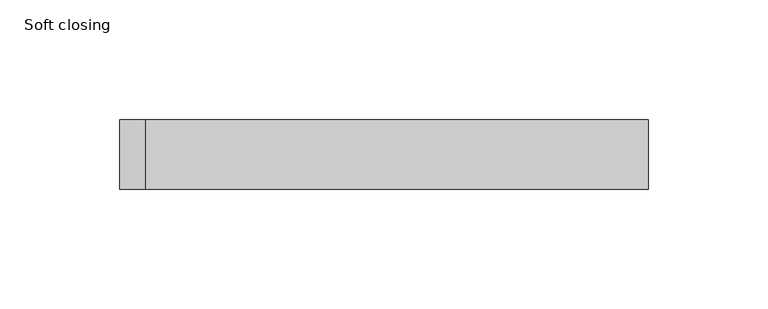
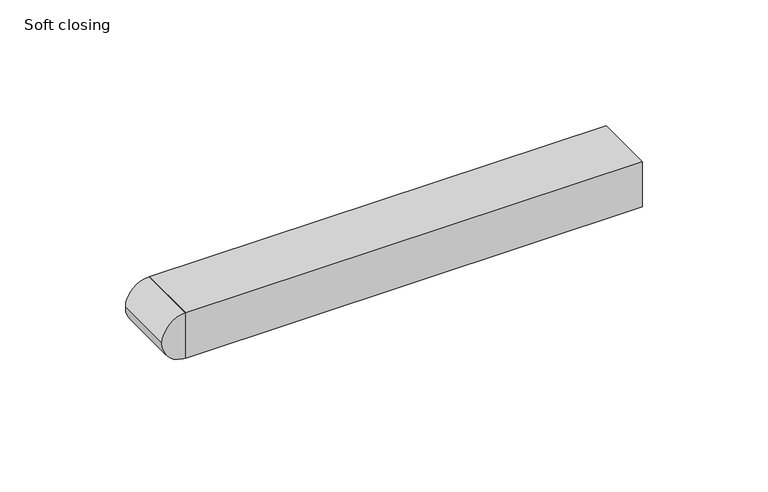
"""IFC4 building model written with IfcOpenShell, lengths in millimetres: proxy geometry, Soft closing."""

from ifc_helpers import new_model, si_unit, point, frame, frame_2d, origin, origin_with_axes, place, context, project, spatial, polyline, circle_curve, trimmed, segment, composite_curve, outline, extrude, source, transform, mapped, element, save


def soft_closing_5b04b6d1(model_context):
    return source(origin(), model_context, "Body", "SweptSolid", [
        extrude(outline(polyline([(42.15, 0.0), (-167.85, 0.0), (-167.85, 29.0), (42.15, 29.0), (42.15, 0.0)])), origin_with_axes(), (0.0, 0.0, 1.0), 22.0),
        extrude(outline(composite_curve([segment(trimmed(circle_curve(frame_2d((11.0, -167.85)), 11.0), [point((11.0, -178.85))], [point((11.0, -156.85))], False, "CARTESIAN"), True, "CONTINUOUS"), segment(trimmed(circle_curve(frame_2d((11.0, -167.85)), 11.0), [point((11.0, -156.85))], [point((11.0, -178.85))], False, "CARTESIAN"), True, "CONTINUOUS")], self_intersect=False)), frame((0.0, 0.0, 0.0), z_axis=(0.0, 1.0, 0.0), x_axis=(0.0, 0.0, 1.0)), (0.0, 0.0, 1.0), 29.0),
    ])


if __name__ == "__main__":
    model = new_model("IFC4")
    model_context = context("Model", 3, world=origin())
    ifc_project = project(units=[si_unit("LENGTHUNIT", "METRE", prefix="MILLI")], contexts=[model_context])
    site = spatial("IfcSite", under=ifc_project)
    building = spatial("IfcBuilding", under=site)
    placement = place(None, origin())
    soft_closing_shape = soft_closing_5b04b6d1(model_context)
    element("IfcBuildingElementProxy", 1, Name="Soft closing", ObjectType="Soft closing", at=placement, inside=building, context=model_context, shape_type="MappedRepresentation", body=[
        mapped(soft_closing_shape, transform((0.0, 0.0, 0.0), x_axis=(1.0, 0.0, 0.0), y_axis=(0.0, 1.0, 0.0), z_axis=(0.0, 0.0, 1.0))),
    ])
    save(model, "model.ifc")
